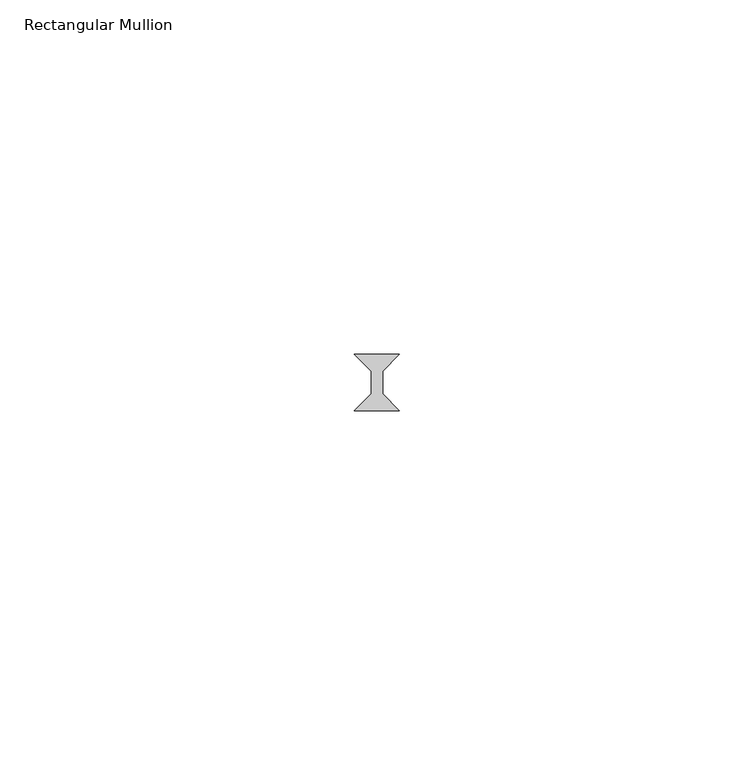
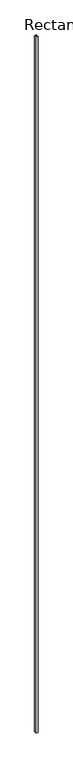
"""IFC4 building model written with IfcOpenShell, lengths in millimetres: member geometry, Rectangular Mullion."""

from ifc_helpers import new_model, si_unit, frame, origin, place, context, project, spatial, polyline, outline, extrude, source, transform, mapped, element, save


def rectangular_mullion_23a8e25b(model_context):
    return source(origin(), model_context, "Body", "SweptSolid", [
        extrude(outline(polyline([(3.175, -3.96875), (-3.175, -3.96875), (-0.79375, -1.5875), (-0.79375, 1.5875), (-3.175, 3.96875), (3.175, 3.96875), (0.79375, 1.5875), (0.79375, -1.5875), (3.175, -3.96875)])), frame((0.0, 0.0, -2359.025), z_axis=(0.0, 0.0, 1.0), x_axis=(1.0, 0.0, 0.0)), (0.0, 0.0, 1.0), 2359.025),
    ])


if __name__ == "__main__":
    model = new_model("IFC4")
    model_context = context("Model", 3, world=origin())
    ifc_project = project(units=[si_unit("LENGTHUNIT", "METRE", prefix="MILLI")], contexts=[model_context])
    site = spatial("IfcSite", under=ifc_project)
    building = spatial("IfcBuilding", under=site)
    placement = place(None, origin())
    rectangular_mullion_shape = rectangular_mullion_23a8e25b(model_context)
    element("IfcMember", 1, ObjectType="Rectangular Mullion", at=placement, inside=building, context=model_context, shape_type="MappedRepresentation", body=[
        mapped(rectangular_mullion_shape, transform((0.0, 0.0, 0.0), x_axis=(1.0, 0.0, 0.0), y_axis=(0.0, 1.0, 0.0), z_axis=(0.0, 0.0, 1.0))),
    ])
    save(model, "model.ifc")
